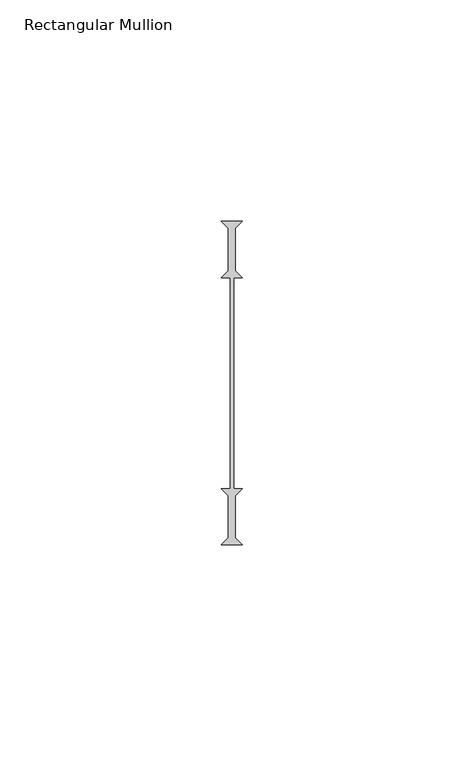
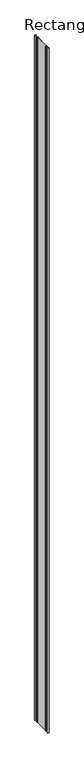
"""IFC4 building model written with IfcOpenShell, lengths in millimetres: member geometry, Rectangular Mullion."""

from ifc_helpers import new_model, si_unit, frame, origin, place, context, project, spatial, polyline, outline, extrude, source, transform, mapped, element, save


def rectangular_mullion_05b8d9fd(model_context):
    return source(origin(), model_context, "Body", "SweptSolid", [
        extrude(outline(polyline([(-2.38125, -36.5125), (-0.79375, -34.925), (-0.79375, -25.4), (-2.38125, -23.8125), (-0.396875, -23.8125), (-0.396875, 23.8125), (-2.38125, 23.8125), (-0.79375, 25.4), (-0.79375, 34.925), (-2.38125, 36.5125), (2.38125, 36.5125), (0.79375, 34.925), (0.79375, 25.4), (2.38125, 23.8125), (0.396875, 23.8125), (0.396875, -23.8125), (2.38125, -23.8125), (0.79375, -25.4), (0.79375, -34.925), (2.38125, -36.5125), (-2.38125, -36.5125)])), frame((0.0, 0.0, -2359.025), z_axis=(0.0, 0.0, 1.0), x_axis=(1.0, 0.0, 0.0)), (0.0, 0.0, 1.0), 2359.025),
    ])


if __name__ == "__main__":
    model = new_model("IFC4")
    model_context = context("Model", 3, world=origin())
    ifc_project = project(units=[si_unit("LENGTHUNIT", "METRE", prefix="MILLI")], contexts=[model_context])
    site = spatial("IfcSite", under=ifc_project)
    building = spatial("IfcBuilding", under=site)
    placement = place(None, origin())
    rectangular_mullion_shape = rectangular_mullion_05b8d9fd(model_context)
    element("IfcMember", 1, ObjectType="Rectangular Mullion", at=placement, inside=building, context=model_context, shape_type="MappedRepresentation", body=[
        mapped(rectangular_mullion_shape, transform((0.0, 0.0, 0.0), x_axis=(1.0, 0.0, 0.0), y_axis=(0.0, 1.0, 0.0), z_axis=(0.0, 0.0, 1.0))),
    ])
    save(model, "model.ifc")
